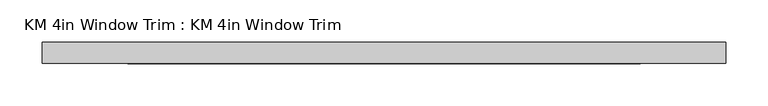
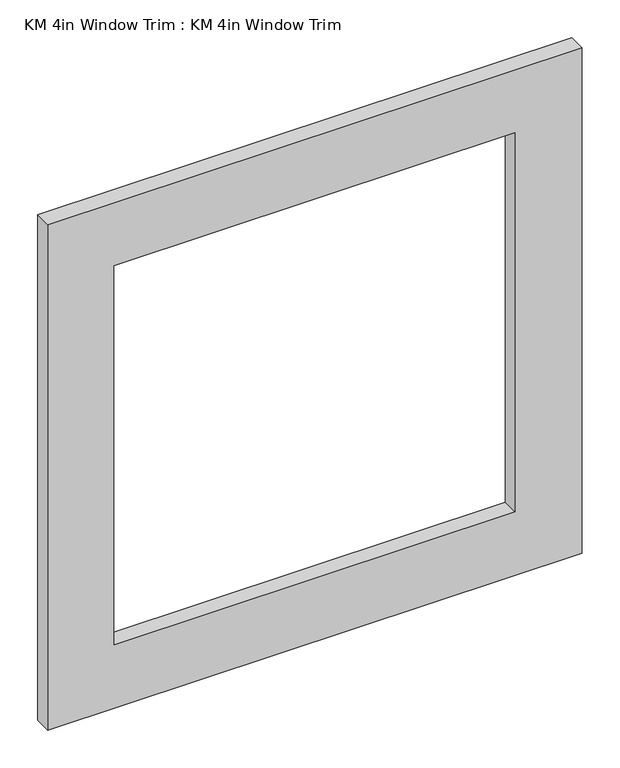
"""IFC4 building model written with IfcOpenShell, lengths in millimetres: proxy geometry, KM 4in Window Trim : KM 4in Window Trim."""

from ifc_helpers import new_model, si_unit, frame, origin, place, context, project, spatial, polyline, outline, extrude, source, transform, mapped, element, save


def km_4in_window_trim_km_4in_window_trim_367dd6fb(model_context):
    return source(origin(), model_context, "Body", "SweptSolid", [
        extrude(outline(polyline([(1625.6, 406.4), (1625.6, -406.4), (812.8, -406.4), (812.8, 406.4), (1625.6, 406.4)]), holes=[polyline([(1524.0, 304.8), (914.4, 304.8), (914.4, -304.8), (1524.0, -304.8), (1524.0, 304.8)])]), frame((0.0, 57.15, 0.0), z_axis=(0.0, 1.0, 0.0), x_axis=(0.0, 0.0, 1.0)), (0.0, 0.0, 1.0), 25.4),
    ])


if __name__ == "__main__":
    model = new_model("IFC4")
    model_context = context("Model", 3, world=origin())
    ifc_project = project(units=[si_unit("LENGTHUNIT", "METRE", prefix="MILLI")], contexts=[model_context])
    site = spatial("IfcSite", under=ifc_project)
    building = spatial("IfcBuilding", under=site)
    placement = place(None, origin())
    km_4in_window_trim_km_4in_window_trim_shape = km_4in_window_trim_km_4in_window_trim_367dd6fb(model_context)
    element("IfcBuildingElementProxy", 1, Name="KM 4in Window Trim : KM 4in Window Trim", ObjectType="KM 4in Window Trim : KM 4in Window Trim", at=placement, inside=building, context=model_context, shape_type="MappedRepresentation", body=[
        mapped(km_4in_window_trim_km_4in_window_trim_shape, transform((0.0, 0.0, 0.0), x_axis=(1.0, 0.0, 0.0), y_axis=(0.0, 1.0, 0.0), z_axis=(0.0, 0.0, 1.0))),
    ])
    save(model, "model.ifc")
